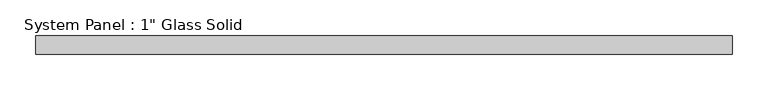
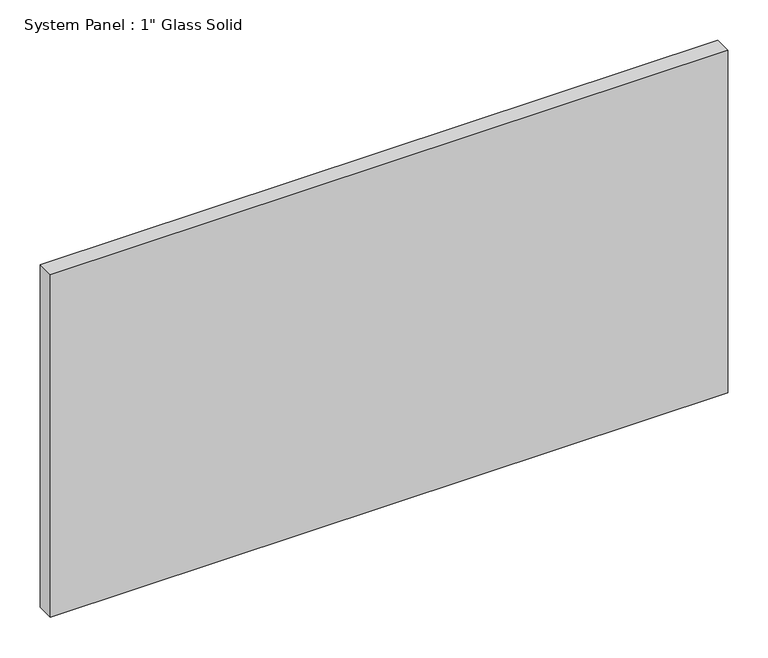
"""IFC4 building model written with IfcOpenShell, lengths in millimetres: plate geometry."""

from ifc_helpers import new_model, si_unit, origin, origin_with_axes, place, context, project, spatial, polyline, outline, extrude, source, transform, mapped, element, save


def plate_79d99b8b(model_context):
    return source(origin(), model_context, "Body", "SweptSolid", [
        extrude(outline(polyline([(485.7758852, -12.7), (-485.7758852, -12.7), (-485.7758852, 12.7), (485.7758852, 12.7), (485.7758852, -12.7)])), origin_with_axes(), (0.0, 0.0, 1.0), 519.5423678),
    ])


if __name__ == "__main__":
    model = new_model("IFC4")
    model_context = context("Model", 3, world=origin())
    ifc_project = project(units=[si_unit("LENGTHUNIT", "METRE", prefix="MILLI")], contexts=[model_context])
    site = spatial("IfcSite", under=ifc_project)
    building = spatial("IfcBuilding", under=site)
    placement = place(None, origin())
    plate_shape = plate_79d99b8b(model_context)
    element("IfcPlate", 1, ObjectType="System Panel : 1\" Glass Solid", at=placement, inside=building, context=model_context, shape_type="MappedRepresentation", body=[
        mapped(plate_shape, transform((0.0, 0.0, 0.0), x_axis=(1.0, 0.0, 0.0), y_axis=(0.0, 1.0, 0.0), z_axis=(0.0, 0.0, 1.0))),
    ])
    save(model, "model.ifc")
